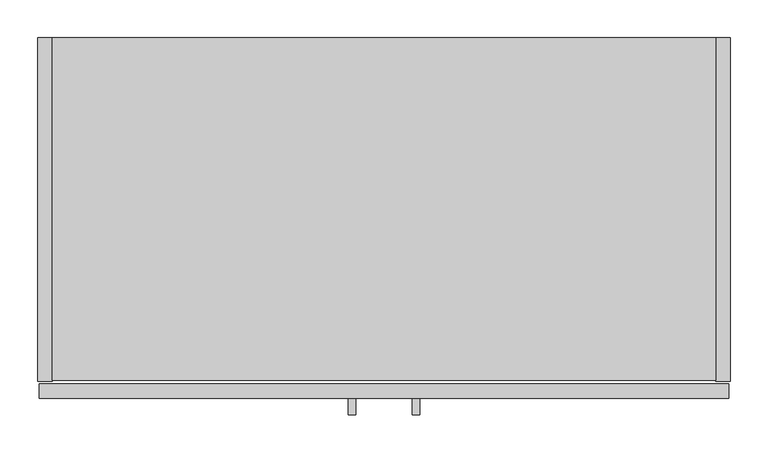
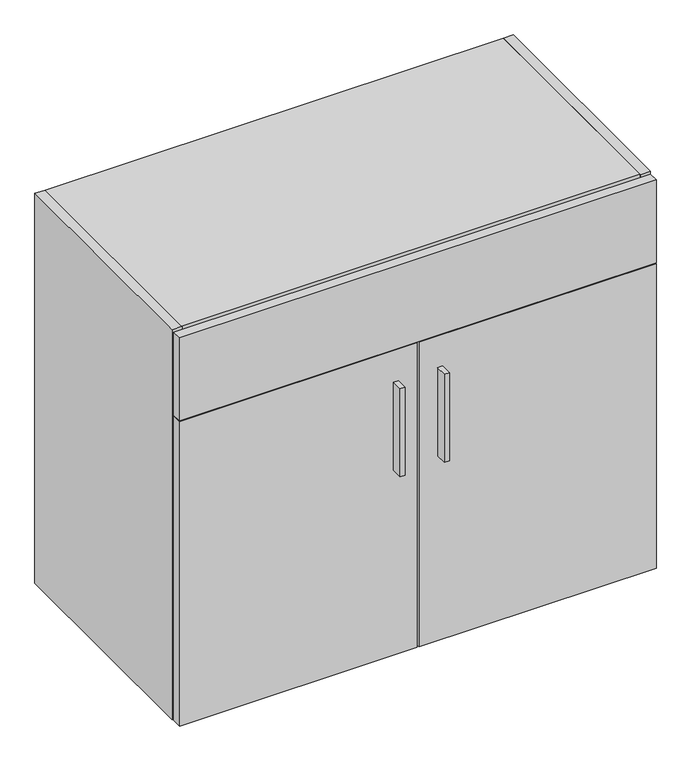
"""IFC4 building model written with IfcOpenShell, lengths in millimetres: furniture geometry."""

from ifc_helpers import new_model, si_unit, frame, origin, place, context, project, spatial, polyline, outline, extrude, source, transform, mapped, element, save


def furniture_c334f8a0(model_context):
    return source(origin(), model_context, "Body", "SweptSolid", [
        extrude(outline(polyline([(419.7338631, -498.729), (410.2088631, -498.729), (410.2088631, -476.504), (419.7338631, -476.504), (419.7338631, -498.729)])), frame((0.0, 0.0, 475.2467), z_axis=(0.0, 0.0, 1.0), x_axis=(1.0, 0.0, 0.0)), (0.0, 0.0, 1.0), 177.8),
        extrude(outline(polyline([(504.1888631, -498.729), (494.6638631, -498.729), (494.6638631, -476.504), (504.1888631, -476.504), (504.1888631, -498.729)])), frame((0.0, 0.0, 475.2467), z_axis=(0.0, 0.0, 1.0), x_axis=(1.0, 0.0, 0.0)), (0.0, 0.0, 1.0), 177.8),
        extrude(outline(polyline([(895.096, 0.0), (895.096, -19.304), (19.304, -19.304), (19.304, 0.0), (895.096, 0.0)])), frame((0.0, 0.0, 120.904), z_axis=(0.0, 0.0, 1.0), x_axis=(1.0, 0.0, 0.0)), (0.0, 0.0, 1.0), 748.792),
        extrude(outline(polyline([(895.096, -453.0344), (19.304, -453.0344), (19.304, 0.0), (895.096, 0.0), (895.096, -453.0344)])), frame((0.0, 0.0, 869.696), z_axis=(0.0, 0.0, 1.0), x_axis=(1.0, 0.0, 0.0)), (0.0, 0.0, 1.0), 19.304),
        extrude(outline(polyline([(19.304, 0.0), (19.304, -454.025), (0.0, -454.025), (0.0, 0.0), (19.304, 0.0)])), frame((0.0, 0.0, 101.6), z_axis=(0.0, 0.0, 1.0), x_axis=(1.0, 0.0, 0.0)), (0.0, 0.0, 1.0), 787.4),
        extrude(outline(polyline([(895.096, 0.0), (914.4, 0.0), (914.4, -454.025), (895.096, -454.025), (895.096, 0.0)])), frame((0.0, 0.0, 101.6), z_axis=(0.0, 0.0, 1.0), x_axis=(1.0, 0.0, 0.0)), (0.0, 0.0, 1.0), 787.4),
        extrude(outline(polyline([(895.096, 0.0), (895.096, -453.0344), (19.304, -453.0344), (19.304, 0.0), (895.096, 0.0)])), frame((0.0, 0.0, 101.6), z_axis=(0.0, 0.0, 1.0), x_axis=(1.0, 0.0, 0.0)), (0.0, 0.0, 1.0), 19.304),
        extrude(outline(polyline([(912.8125, -476.504), (458.7875, -476.504), (458.7875, -457.2), (912.8125, -457.2), (912.8125, -476.504)])), frame((0.0, 0.0, 101.6), z_axis=(0.0, 0.0, 1.0), x_axis=(1.0, 0.0, 0.0)), (0.0, 0.0, 1.0), 614.9467),
        extrude(outline(polyline([(455.6125, -476.504), (1.5875, -476.504), (1.5875, -457.2), (455.6125, -457.2), (455.6125, -476.504)])), frame((0.0, 0.0, 101.6), z_axis=(0.0, 0.0, 1.0), x_axis=(1.0, 0.0, 0.0)), (0.0, 0.0, 1.0), 614.9467),
        extrude(outline(polyline([(912.8125, -476.504), (1.5875, -476.504), (1.5875, -457.2), (912.8125, -457.2), (912.8125, -476.504)])), frame((0.0, 0.0, 718.1342), z_axis=(0.0, 0.0, 1.0), x_axis=(1.0, 0.0, 0.0)), (0.0, 0.0, 1.0), 167.6908),
    ])


if __name__ == "__main__":
    model = new_model("IFC4")
    model_context = context("Model", 3, world=origin())
    ifc_project = project(units=[si_unit("LENGTHUNIT", "METRE", prefix="MILLI")], contexts=[model_context])
    site = spatial("IfcSite", under=ifc_project)
    building = spatial("IfcBuilding", under=site)
    placement = place(None, origin())
    furniture_shape = furniture_c334f8a0(model_context)
    element("IfcFurniture", 1, at=placement, inside=building, context=model_context, shape_type="MappedRepresentation", body=[
        mapped(furniture_shape, transform((0.0, 0.0, 0.0), x_axis=(1.0, 0.0, 0.0), y_axis=(0.0, 1.0, 0.0), z_axis=(0.0, 0.0, 1.0))),
    ])
    save(model, "model.ifc")
